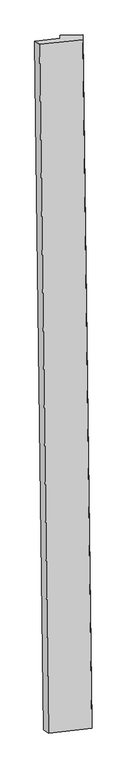
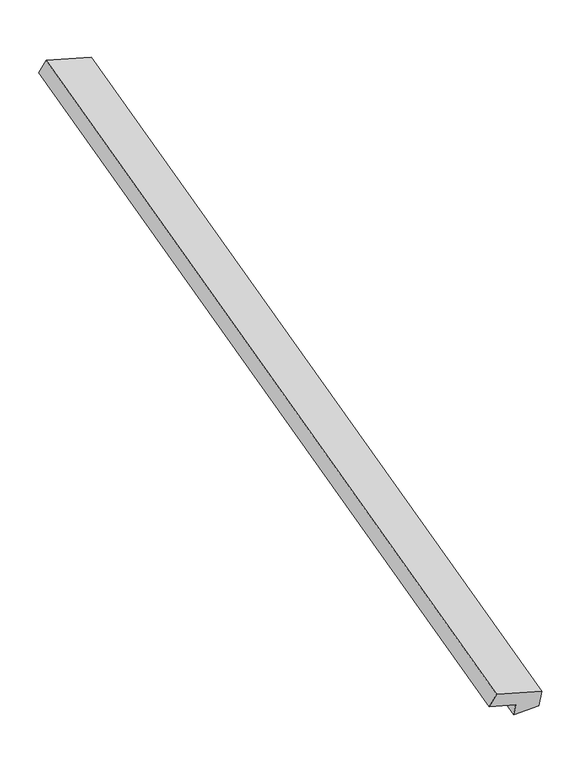
"""IFC4 building model written with IfcOpenShell, lengths in millimetres: proxy geometry."""

from ifc_helpers import new_model, si_unit, frame, origin, place, context, project, spatial, polyline, outline, extrude, source, transform, mapped, element, save


def generic_models_1e5c5474(model_context):
    return source(origin(), model_context, "Body", "SweptSolid", [
        extrude(outline(polyline([(-0.4089799, -118.6804195), (-0.146848, -42.6132857), (186.2444564, 24.5011062), (206.1946642, -30.9049722), (97.6203998, -69.9995844), (97.4514806, -119.0176526), (-0.4089799, -118.6804195)])), frame((-55412.663388, 119498.8013474, 13346.6566383), z_axis=(-0.012462714109348889, 0.9637575939414803, 0.2664882377838791), x_axis=(-0.9999164002112129, -0.01293029731482283, 0.0)), (0.0, 0.0, 1.0), 3051.4316358),
    ])


if __name__ == "__main__":
    model = new_model("IFC4")
    model_context = context("Model", 3, world=origin())
    ifc_project = project(units=[si_unit("LENGTHUNIT", "METRE", prefix="MILLI")], contexts=[model_context])
    site = spatial("IfcSite", under=ifc_project)
    building = spatial("IfcBuilding", under=site)
    placement = place(None, origin())
    generic_models_shape = generic_models_1e5c5474(model_context)
    element("IfcBuildingElementProxy", 1, Name="Generic Models", at=placement, inside=building, context=model_context, shape_type="MappedRepresentation", body=[
        mapped(generic_models_shape, transform((0.0, 0.0, 0.0), x_axis=(1.0, 0.0, 0.0), y_axis=(0.0, 1.0, 0.0), z_axis=(0.0, 0.0, 1.0))),
    ])
    save(model, "model.ifc")
